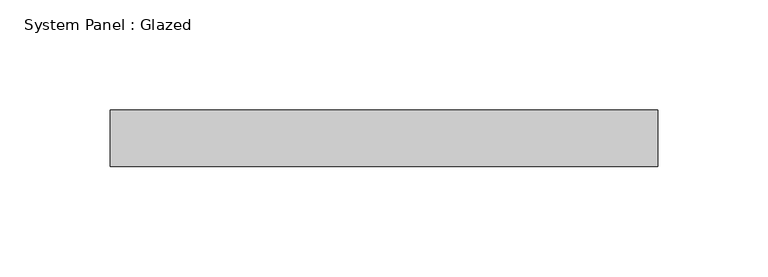
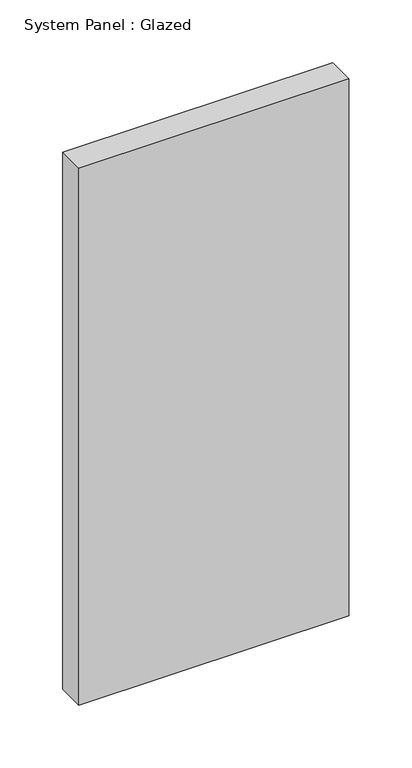
"""IFC4 building model written with IfcOpenShell, lengths in millimetres: plate geometry, System Panel : Glazed."""

from ifc_helpers import new_model, si_unit, origin, origin_with_axes, place, context, project, spatial, polyline, outline, extrude, source, transform, mapped, element, save


def system_panel_glazed_b5ea4983(model_context):
    return source(origin(), model_context, "Body", "SweptSolid", [
        extrude(outline(polyline([(123.825, -44.45), (-123.825, -44.45), (-123.825, -19.05), (123.825, -19.05), (123.825, -44.45)])), origin_with_axes(), (0.0, 0.0, 1.0), 520.7),
    ])


if __name__ == "__main__":
    model = new_model("IFC4")
    model_context = context("Model", 3, world=origin())
    ifc_project = project(units=[si_unit("LENGTHUNIT", "METRE", prefix="MILLI")], contexts=[model_context])
    site = spatial("IfcSite", under=ifc_project)
    building = spatial("IfcBuilding", under=site)
    placement = place(None, origin())
    system_panel_glazed_shape = system_panel_glazed_b5ea4983(model_context)
    element("IfcPlate", 1, ObjectType="System Panel : Glazed", at=placement, inside=building, context=model_context, shape_type="MappedRepresentation", body=[
        mapped(system_panel_glazed_shape, transform((0.0, 0.0, 0.0), x_axis=(1.0, 0.0, 0.0), y_axis=(0.0, 1.0, 0.0), z_axis=(0.0, 0.0, 1.0))),
    ])
    save(model, "model.ifc")
